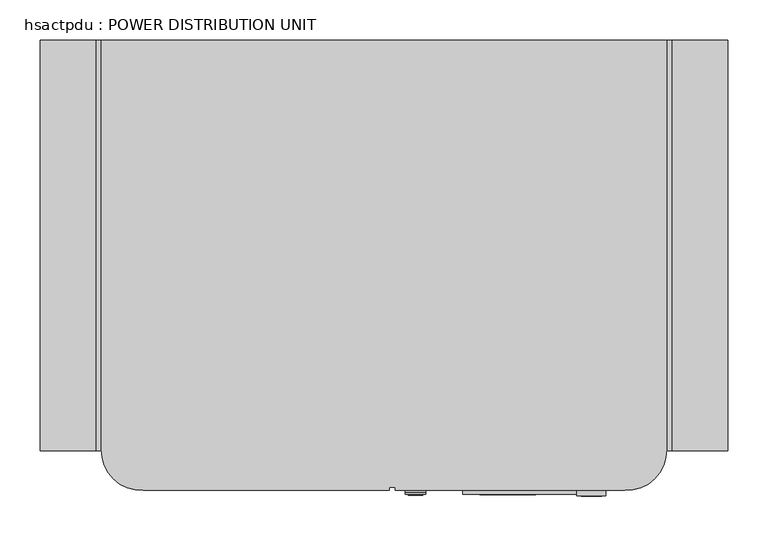
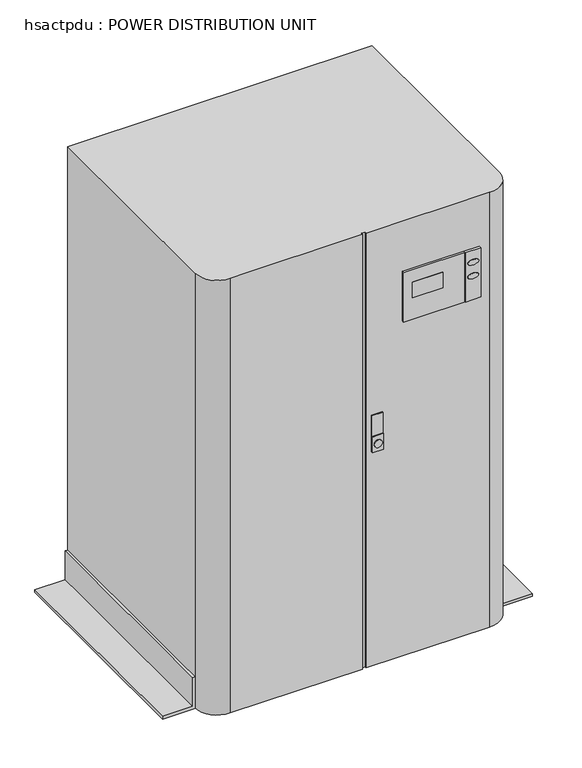
"""IFC4 building model written with IfcOpenShell, lengths in millimetres: proxy geometry, hsactpdu : POWER DISTRIBUTION UNIT."""

from ifc_helpers import new_model, si_unit, point, frame, frame_2d, origin, origin_with_axes, place, context, project, spatial, polyline, circle_curve, ellipse_curve, trimmed, segment, composite_curve, outline, extrude, source, transform, mapped, element, save
from ifc_brep_helpers import plane_surface, extruded_surface, advanced_brep


def hsactpdu_power_distribution_unit_f185dffc(model_context):
    return source(origin(), model_context, "Body", "SolidModel", [
        advanced_brep(
        [(622.3761695, -720.106508, 876.9744055), (596.9761695, -720.106508, 876.9744055), (622.3761695, -719.1602282, 876.9744055), (596.9761695, -719.1602282, 876.9744055)],
        [
            (0, 1, ellipse_curve(frame((609.6761695, -720.106508, 876.9744055), z_axis=(0.0, -1.0, 0.0), x_axis=(-1.0, 0.0, 0.0)), 12.7, 6.35)),
            (1, 0, ellipse_curve(frame((609.6761695, -720.106508, 876.9744055), z_axis=(0.0, -1.0, 0.0), x_axis=(-1.0, 0.0, 0.0)), 12.7, 6.35)),
            (2, 3, ellipse_curve(frame((609.6761695, -719.1602282, 876.9744055), z_axis=(0.0, 1.0, 0.0), x_axis=(-1.0, 0.0, 0.0)), 12.7, 6.35)),
            (3, 2, ellipse_curve(frame((609.6761695, -719.1602282, 876.9744055), z_axis=(0.0, 1.0, 0.0), x_axis=(-1.0, 0.0, 0.0)), 12.7, 6.35)),
            (0, 2),
            (3, 1),
        ],
        [
            plane_surface(frame((596.9761695, -720.106508, 876.9744055), z_axis=(0.0, -1.0, 0.0), x_axis=(0.0, 0.0, -1.0))),
            plane_surface(frame((596.9761695, -719.1602282, 876.9744055), z_axis=(0.0, 1.0, 0.0), x_axis=(0.0, 0.0, 1.0))),
            extruded_surface(trimmed(ellipse_curve(frame((609.6761695, -718.2139483, 876.9744055), z_axis=(0.0, -1.0, 0.0), x_axis=(-1.0, 0.0, 0.0)), 12.7, 6.35), [point((622.3761695, -718.2139483, 876.9744055))], [point((596.9761695, -718.2139483, 876.9744055))], True, "CARTESIAN"), (0.0, -0.9462799000000359, 0.0), 0.9462799000000359),
            extruded_surface(trimmed(ellipse_curve(frame((609.6761695, -718.2139483, 876.9744055), z_axis=(0.0, -1.0, 0.0), x_axis=(-1.0, 0.0, 0.0)), 12.7, 6.35), [point((596.9761695, -718.2139483, 876.9744055))], [point((622.3761695, -718.2139483, 876.9744055))], True, "CARTESIAN"), (0.0, -0.9462799000000359, 0.0), 0.9462799000000359),
        ],
        [
            (0, [[1, 2]]),
            (1, [[3, 4]]),
            (2, [[-1, 5, -4, 6]]),
            (3, [[-2, -6, -3, -5]]),
        ],
    ),
        advanced_brep(
        [(622.6253331, -720.106508, 910.3256448), (597.2253331, -720.106508, 910.3256448), (622.6253331, -719.1602282, 910.3256448), (597.2253331, -719.1602282, 910.3256448)],
        [
            (0, 1, ellipse_curve(frame((609.9253331, -720.106508, 910.3256448), z_axis=(0.0, -1.0, 0.0), x_axis=(-1.0, 0.0, 0.0)), 12.7, 6.35)),
            (1, 0, ellipse_curve(frame((609.9253331, -720.106508, 910.3256448), z_axis=(0.0, -1.0, 0.0), x_axis=(-1.0, 0.0, 0.0)), 12.7, 6.35)),
            (2, 3, ellipse_curve(frame((609.9253331, -719.1602282, 910.3256448), z_axis=(0.0, 1.0, 0.0), x_axis=(-1.0, 0.0, 0.0)), 12.7, 6.35)),
            (3, 2, ellipse_curve(frame((609.9253331, -719.1602282, 910.3256448), z_axis=(0.0, 1.0, 0.0), x_axis=(-1.0, 0.0, 0.0)), 12.7, 6.35)),
            (0, 2),
            (3, 1),
        ],
        [
            plane_surface(frame((597.2253331, -720.106508, 910.3256448), z_axis=(0.0, -1.0, 0.0), x_axis=(0.0, 0.0, -1.0))),
            plane_surface(frame((597.2253331, -719.1602282, 910.3256448), z_axis=(0.0, 1.0, 0.0), x_axis=(0.0, 0.0, 1.0))),
            extruded_surface(trimmed(ellipse_curve(frame((609.9253331, -718.2139483, 910.3256448), z_axis=(0.0, -1.0, 0.0), x_axis=(-1.0, 0.0, 0.0)), 12.7, 6.35), [point((622.6253331, -718.2139483, 910.3256448))], [point((597.2253331, -718.2139483, 910.3256448))], True, "CARTESIAN"), (0.0, -0.9462799000000359, 0.0), 0.9462799000000359),
            extruded_surface(trimmed(ellipse_curve(frame((609.9253331, -718.2139483, 910.3256448), z_axis=(0.0, -1.0, 0.0), x_axis=(-1.0, 0.0, 0.0)), 12.7, 6.35), [point((597.2253331, -718.2139483, 910.3256448))], [point((622.6253331, -718.2139483, 910.3256448))], True, "CARTESIAN"), (0.0, -0.9462799000000359, 0.0), 0.9462799000000359),
        ],
        [
            (0, [[1, 2]]),
            (1, [[3, 4]]),
            (2, [[-1, 5, -4, 6]]),
            (3, [[-2, -6, -3, -5]]),
        ],
    ),
        extrude(outline(polyline([(627.6505906, -719.1602282), (591.8325975, -719.1602282), (591.8325975, -712.8125147), (627.6505906, -712.8125147), (627.6505906, -719.1602282)])), frame((0.0, 0.0, 818.3887165), z_axis=(0.0, 0.0, 1.0), x_axis=(1.0, 0.0, 0.0)), (0.0, 0.0, 1.0), 120.65),
        extrude(outline(polyline([(540.7516764, -717.8647561), (470.9016764, -717.8647561), (470.9016764, -708.9238686), (540.7516764, -708.9238686), (540.7516764, -717.8647561)])), frame((0.0, 0.0, 870.4752424), z_axis=(0.0, 0.0, 1.0), x_axis=(1.0, 0.0, 0.0)), (0.0, 0.0, 1.0), 38.1),
        extrude(outline(polyline([(627.6505906, -717.382651), (449.8505906, -717.382651), (449.8505906, -712.8125147), (627.6505906, -712.8125147), (627.6505906, -717.382651)])), frame((0.0, 0.0, 818.3887165), z_axis=(0.0, 0.0, 1.0), x_axis=(1.0, 0.0, 0.0)), (0.0, 0.0, 1.0), 120.65),
        extrude(outline(polyline([(403.8141371, -714.8206419), (378.4141371, -714.8206419), (378.4141371, -708.9238686), (403.8141371, -708.9238686), (403.8141371, -714.8206419)])), frame((0.0, 0.0, 523.9728012), z_axis=(0.0, 0.0, 1.0), x_axis=(1.0, 0.0, 0.0)), (0.0, 0.0, 1.0), 88.9),
        extrude(outline(composite_curve([segment(trimmed(circle_curve(frame_2d((542.5967014, 391.0558818)), 9.1673364), [point((542.5967014, 381.8885453))], [point((542.5967014, 400.2232182))], False, "CARTESIAN"), True, "CONTINUOUS"), segment(trimmed(circle_curve(frame_2d((542.5967014, 391.0558818)), 9.1673364), [point((542.5967014, 400.2232182))], [point((542.5967014, 381.8885453))], False, "CARTESIAN"), True, "CONTINUOUS")], self_intersect=False)), frame((0.0, -718.8811769, 0.0), z_axis=(0.0, 1.0, 0.0), x_axis=(0.0, 0.0, 1.0)), (0.0, 0.0, 1.0), 13.3553154),
        extrude(outline(polyline([(403.8141371, -717.382651), (378.4141371, -717.382651), (378.4141371, -712.8125147), (403.8141371, -712.8125147), (403.8141371, -717.382651)])), frame((0.0, 0.0, 524.1908555), z_axis=(0.0, 0.0, 1.0), x_axis=(1.0, 0.0, 0.0)), (0.0, 0.0, 1.0), 38.1),
        extrude(outline(composite_curve([segment(polyline([(703.4161363, -152.4), (703.4161363, -661.8046404)]), True, "CONTINUOUS"), segment(trimmed(circle_curve(frame_2d((653.1955201, -662.6173529)), 50.2271917), [point((703.4161363, -661.8046404))], [point((651.4020536, -712.8125147))], False, "CARTESIAN"), True, "CONTINUOUS"), segment(polyline([(651.4020536, -712.8125147), (365.6034404, -712.8125147), (365.6034404, -708.9238686), (358.0580681, -708.9238686), (358.0580681, -712.8125147), (52.0140827, -712.8125147)]), True, "CONTINUOUS"), segment(trimmed(circle_curve(frame_2d((50.2206161, -662.6173529)), 50.2271917), [point((52.0140827, -712.8125147))], [point((0.0, -661.8046404))], False, "CARTESIAN"), True, "CONTINUOUS"), segment(polyline([(0.0, -661.8046404), (0.0, -152.4), (703.4161363, -152.4)]), True, "CONTINUOUS")], self_intersect=False)), origin_with_axes(), (0.0, 0.0, 1.0), 1061.72),
        extrude(outline(polyline([(76.2, 0.0), (76.2, -6.35), (6.35, -6.35), (6.35, -76.2), (0.0, -76.2), (0.0, 0.0), (76.2, 0.0)])), frame((0.0, -663.4300654, 0.0), z_axis=(0.0, 1.0, 0.0), x_axis=(0.0, 0.0, 1.0)), (0.0, 0.0, 1.0), 511.0300654),
        extrude(outline(polyline([(76.2, 703.4161363), (0.0, 703.4161363), (0.0, 779.6161363), (6.35, 779.6161363), (6.35, 709.7661363), (76.2, 709.7661363), (76.2, 703.4161363)])), frame((0.0, -663.4300654, 0.0), z_axis=(0.0, 1.0, 0.0), x_axis=(0.0, 0.0, 1.0)), (0.0, 0.0, 1.0), 511.0300654),
    ])


if __name__ == "__main__":
    model = new_model("IFC4")
    model_context = context("Model", 3, world=origin())
    ifc_project = project(units=[si_unit("LENGTHUNIT", "METRE", prefix="MILLI")], contexts=[model_context])
    site = spatial("IfcSite", under=ifc_project)
    building = spatial("IfcBuilding", under=site)
    placement = place(None, origin())
    hsactpdu_power_distribution_unit_shape = hsactpdu_power_distribution_unit_f185dffc(model_context)
    element("IfcBuildingElementProxy", 1, Name="hsactpdu : POWER DISTRIBUTION UNIT", ObjectType="hsactpdu : POWER DISTRIBUTION UNIT", at=placement, inside=building, context=model_context, shape_type="MappedRepresentation", body=[
        mapped(hsactpdu_power_distribution_unit_shape, transform((0.0, 0.0, 0.0), x_axis=(1.0, 0.0, 0.0), y_axis=(0.0, 1.0, 0.0), z_axis=(0.0, 0.0, 1.0))),
    ])
    save(model, "model.ifc")
